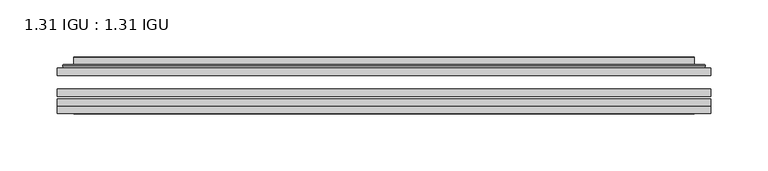
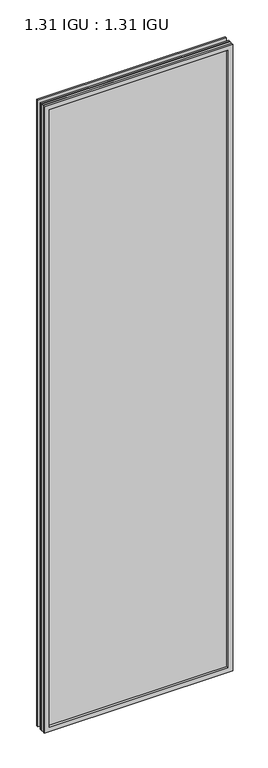
"""IFC4 building model written with IfcOpenShell, lengths in millimetres: plate geometry, 1.31 IGU : 1.31 IGU."""

import ifcopenshell
import ifcopenshell.guid

model = None  # the IFC model being written
_history = None  # IfcOwnerHistory: only IFC2X3 demands one
_inside = {}  # id of a spatial element -> (the spatial element, [elements in it])
_under = {}  # id of a project, library or spatial element -> (it, [spatial elements below it])
_declared = {}  # id of a project -> (the project, [libraries it declares])
_typed = {}  # id of a type object -> (the type object, [elements of that type])
_made_of = {}  # id of a material, layer set ... -> (it, [elements and type objects made of it])


def new_model(schema):
    """Start an empty IFC model of exactly this schema.

    Asked for "IFC4X3", IfcOpenShell would pick the latest addendum, in which some entities
    have other attributes; the version numbers below select the first issue.
    IFC2X3 requires an IfcOwnerHistory on every rooted entity: one is made here for all.
    """
    global model, _history
    if schema == "IFC4X3":
        model = ifcopenshell.file(schema_version=(4, 3, 0, 0))
    else:
        model = ifcopenshell.file(schema=schema)
    _inside.clear()
    _under.clear()
    _declared.clear()
    _typed.clear()
    _made_of.clear()
    _history = None
    if model.schema == "IFC2X3":
        org = make("IfcOrganization", Name="unknown")
        user = make(
            "IfcPersonAndOrganization",
            ThePerson=make("IfcPerson", FamilyName="unknown"),
            TheOrganization=org,
        )
        app = make(
            "IfcApplication",
            ApplicationDeveloper=org,
            Version="unknown",
            ApplicationFullName="unknown",
            ApplicationIdentifier="unknown",
        )
        _history = make(
            "IfcOwnerHistory",
            OwningUser=user,
            OwningApplication=app,
            ChangeAction="ADDED",
            CreationDate=0,
        )
    return model


def make(cls, **values):
    """One entity of the class cls with the attributes given. An attribute that is None is left unset."""
    return model.create_entity(
        cls, **{name: value for name, value in values.items() if value is not None}
    )


def rooted(cls, **values):
    """An entity with a GlobalId (a new one), such as an element, a storey or a relation."""
    return make(cls, GlobalId=ifcopenshell.guid.new(), OwnerHistory=_history, **values)


def si_unit(unit_type, name, prefix=None):
    """IfcSIUnit, for example si_unit("LENGTHUNIT", "METRE", prefix="MILLI")."""
    return make("IfcSIUnit", UnitType=unit_type, Prefix=prefix, Name=name)


def assignment(units):
    """IfcUnitAssignment: the units of a project."""
    return None if units is None else make("IfcUnitAssignment", Units=units)


def point(xyz):
    """IfcCartesianPoint."""
    return None if xyz is None else make("IfcCartesianPoint", Coordinates=xyz)


def direction(xyz):
    """IfcDirection."""
    return None if xyz is None else make("IfcDirection", DirectionRatios=xyz)


def frame(location, z_axis=None, x_axis=None):
    """IfcAxis2Placement3D, a coordinate frame: its origin and axes. An axis left out is left unset."""
    return make(
        "IfcAxis2Placement3D",
        Location=point(location),
        Axis=direction(z_axis),
        RefDirection=direction(x_axis),
    )


def origin():
    """The frame at (0, 0, 0) with its axes left unset."""
    return frame((0.0, 0.0, 0.0))


def place(relative_to, where):
    """IfcLocalPlacement: puts the frame where relative to a parent placement (None: the world)."""
    return make(
        "IfcLocalPlacement", PlacementRelTo=relative_to, RelativePlacement=where
    )


def context(
    kind, dimensions, precision=None, world=None, true_north=None, identifier=None
):
    """IfcGeometricRepresentationContext, for example the 3D "Model" context."""
    return make(
        "IfcGeometricRepresentationContext",
        ContextIdentifier=identifier,
        ContextType=kind,
        CoordinateSpaceDimension=dimensions,
        Precision=precision,
        WorldCoordinateSystem=world,
        TrueNorth=true_north,
    )


def project(units=None, contexts=None):
    """IfcProject with its units and contexts."""
    return rooted(
        "IfcProject",
        Name="project",
        RepresentationContexts=contexts,
        UnitsInContext=assignment(units),
    )


def spatial(cls, under=None, at=None, **own):
    """A site, building, storey or space (cls), placed at a placement, below another one or the project."""
    s = rooted(cls, ObjectPlacement=at, **own)
    if under is not None:
        _under.setdefault(under.id(), (under, []))[1].append(s)
    return s


def polyline(points):
    """IfcPolyline through the points."""
    return make("IfcPolyline", Points=[point(p) for p in points])


def ellipse_curve(where, semi_axis1, semi_axis2):
    """IfcEllipse in the frame where."""
    return make(
        "IfcEllipse", Position=where, SemiAxis1=semi_axis1, SemiAxis2=semi_axis2
    )


def outline(outer, holes=None, kind="AREA"):
    """IfcArbitraryClosedProfileDef: a profile drawn as a closed curve; with holes, ...WithVoids."""
    if holes is None:
        return make("IfcArbitraryClosedProfileDef", ProfileType=kind, OuterCurve=outer)
    return make(
        "IfcArbitraryProfileDefWithVoids",
        ProfileType=kind,
        OuterCurve=outer,
        InnerCurves=holes,
    )


def extrude(swept, where, along, depth):
    """IfcExtrudedAreaSolid: the profile swept, set in the frame where, extruded along a direction by depth."""
    return make(
        "IfcExtrudedAreaSolid",
        SweptArea=swept,
        Position=where,
        ExtrudedDirection=direction(along),
        Depth=depth,
    )


def faces_of(points, faces, orient=None, outer=None):
    """IfcFace entities. A face is a list of loops; a loop is a list of indices into points, from 0.

    orient and outer hold one flag for each loop. By default every Orientation is true, the
    first loop of a face is its IfcFaceOuterBound and the others are IfcFaceBound.
    """
    made = []
    for i, loops in enumerate(faces):
        bounds = []
        for j, loop in enumerate(loops):
            is_outer = j == 0 if outer is None else outer[i][j]
            bounds.append(
                make(
                    "IfcFaceOuterBound" if is_outer else "IfcFaceBound",
                    Bound=make("IfcPolyLoop", Polygon=[points[k] for k in loop]),
                    Orientation=True if orient is None else orient[i][j],
                )
            )
        made.append(make("IfcFace", Bounds=bounds))
    return made


def faceted_brep(points, faces, orient=None, outer=None, voids=None):
    """IfcFacetedBrep: a solid bounded by flat faces; with voids (closed shells), ...WithVoids."""
    shared = [point(p) for p in points]
    hull = make("IfcClosedShell", CfsFaces=faces_of(shared, faces, orient, outer))
    if voids is None:
        return make("IfcFacetedBrep", Outer=hull)
    return make(
        "IfcFacetedBrepWithVoids",
        Outer=hull,
        Voids=[
            make(cls, CfsFaces=faces_of(shared, fs, o, b)) for cls, fs, o, b in voids
        ],
    )


def shape(context_of_items, identifier, shape_type, items):
    """IfcShapeRepresentation: the items that make up one representation, for example the "Body"."""
    return make(
        "IfcShapeRepresentation",
        ContextOfItems=context_of_items,
        RepresentationIdentifier=identifier,
        RepresentationType=shape_type,
        Items=items,
    )


def source(mapping_origin, context_of_items, identifier, shape_type, items):
    """IfcRepresentationMap: a shape defined once, which mapped items show again and again."""
    return make(
        "IfcRepresentationMap",
        MappingOrigin=mapping_origin,
        MappedRepresentation=shape(context_of_items, identifier, shape_type, items),
    )


def transform(
    local_origin,
    x_axis=None,
    y_axis=None,
    z_axis=None,
    scale=None,
    scale2=None,
    scale3=None,
    uniform=True,
):
    """IfcCartesianTransformationOperator3D, or its non-uniform kind. x_axis, y_axis, z_axis: its Axis1, 2, 3."""
    if uniform:
        return make(
            "IfcCartesianTransformationOperator3D",
            Axis1=direction(x_axis),
            Axis2=direction(y_axis),
            LocalOrigin=point(local_origin),
            Scale=scale,
            Axis3=direction(z_axis),
        )
    return make(
        "IfcCartesianTransformationOperator3DnonUniform",
        Axis1=direction(x_axis),
        Axis2=direction(y_axis),
        LocalOrigin=point(local_origin),
        Scale=scale,
        Axis3=direction(z_axis),
        Scale2=scale2,
        Scale3=scale3,
    )


def mapped(mapping_source, mapping_target):
    """IfcMappedItem: shows the shape of a source again, moved by a transform."""
    return make(
        "IfcMappedItem", MappingSource=mapping_source, MappingTarget=mapping_target
    )


def made_of(thing, what):
    """Note that an element or type object is made of a material, layer set ...; save() writes the relation."""
    if what is not None:
        _made_of.setdefault(what.id(), (what, []))[1].append(thing)
    return thing


def element(
    cls,
    number,
    at=None,
    inside=None,
    cuts=None,
    type_object=None,
    material=None,
    context=None,
    identifier="Body",
    shape_type=None,
    held_by="IfcProductDefinitionShape",
    body=None,
    shapes=None,
    **own,
):
    """One element of the class cls, such as IfcWall. Its Tag is "e" and its number.

    at: its placement. inside: the storey or other place that contains it. cuts: it is an
    opening in that element (IfcRelVoidsElement). A single representation is given by context,
    identifier, shape_type and body (its items); several are given by shapes. held_by: the class
    of the entity that holds the representations. save() writes the other relations.
    """
    e = rooted(cls, Tag="e%d" % number, ObjectPlacement=at, **own)
    if body is not None:
        shapes = [shape(context, identifier, shape_type, body)]
    if shapes is not None:
        e.Representation = make(held_by, Representations=shapes)
    if inside is not None:
        _inside.setdefault(inside.id(), (inside, []))[1].append(e)
    if cuts is not None:
        rooted(
            "IfcRelVoidsElement", RelatingBuildingElement=cuts, RelatedOpeningElement=e
        )
    if type_object is not None:
        _typed.setdefault(type_object.id(), (type_object, []))[1].append(e)
    return made_of(e, material)


def aggregate(whole, parts):
    """IfcRelAggregates: a whole, such as a stair, and the parts it consists of."""
    return rooted("IfcRelAggregates", RelatingObject=whole, RelatedObjects=parts)


def save(model, path):
    """Write the relations noted so far, then the file.

    IfcRelAggregates (storeys below a building ...), IfcRelContainedInSpatialStructure (elements
    in a storey), IfcRelDefinesByType, IfcRelAssociatesMaterial and IfcRelDeclares: one each for
    every whole, place, type object, material and project.
    """
    for whole, parts in _under.values():
        aggregate(whole, parts)
    for where, things in _inside.values():
        rooted(
            "IfcRelContainedInSpatialStructure",
            RelatedElements=things,
            RelatingStructure=where,
        )
    for kind, things in _typed.values():
        rooted("IfcRelDefinesByType", RelatedObjects=things, RelatingType=kind)
    for what, things in _made_of.values():
        rooted("IfcRelAssociatesMaterial", RelatedObjects=things, RelatingMaterial=what)
    for by, libraries in _declared.values():
        rooted("IfcRelDeclares", RelatingContext=by, RelatedDefinitions=libraries)
    model.write(path)


def plane_surface(at):
    """IfcPlane: the flat surface through the origin of the frame at, square to its z axis."""
    return make("IfcPlane", Position=at)


def cylinder_surface(at, radius):
    """IfcCylindricalSurface: all points at the distance radius from the z axis of the frame at."""
    return make("IfcCylindricalSurface", Position=at, Radius=radius)


def advanced_brep(points, edges, surfaces, faces):
    """IfcAdvancedBrep: a solid bounded by faces that lie on surfaces and meet in shared edges.

    An edge is (start, end): straight between two places in points (the first is 0);
    or (start, end, curve); or (start, end, curve, False) where it runs against its curve.
    A face is (place in surfaces, loops), or (place, loops, False) where it looks against
    its surface's normal. A loop lists edges by number (the first is 1), with a minus sign
    where the edge is run from its end to its start. The first loop is the outer one.
    """
    corners = [point(p) for p in points]
    vertices = [make("IfcVertexPoint", VertexGeometry=c) for c in corners]
    made = []
    for start, end, *more in edges:
        made.append(
            make(
                "IfcEdgeCurve",
                EdgeStart=vertices[start],
                EdgeEnd=vertices[end],
                EdgeGeometry=more[0] if more else make("IfcPolyline", Points=[corners[start], corners[end]]),
                SameSense=more[1] if len(more) > 1 else True,
            )
        )
    hull = []
    for where, loops, *sense in faces:
        bounds = []
        for j, loop in enumerate(loops):
            ring = [make("IfcOrientedEdge", EdgeElement=made[abs(k) - 1], Orientation=k > 0) for k in loop]
            bounds.append(
                make(
                    "IfcFaceOuterBound" if j == 0 else "IfcFaceBound",
                    Bound=make("IfcEdgeLoop", EdgeList=ring),
                    Orientation=True,
                )
            )
        hull.append(make("IfcAdvancedFace", Bounds=bounds, FaceSurface=surfaces[where], SameSense=sense[0] if sense else True))
    return make("IfcAdvancedBrep", Outer=make("IfcClosedShell", CfsFaces=hull))


def plate_1_31_igu_1_31_igu_060bd1c2(model_context):
    return source(origin(), model_context, "Body", "SolidModel", [
        extrude(outline(polyline([(285.764175, -63.2975937), (285.764175, -69.6475938), (-285.75, -69.6475938), (-285.75, -63.2975937), (285.764175, -63.2975937)])), frame((0.0, 0.0, -14.2875), z_axis=(0.0, 0.0, 1.0), x_axis=(1.0, 0.0, 0.0)), (0.0, 0.0, 1.0), 2009.796575),
        extrude(outline(polyline([(-285.75, -78.2835938), (-285.75, -71.9330887), (285.764175, -71.9330887), (285.764175, -78.2835938), (-285.75, -78.2835938)])), frame((0.0, 0.0, -14.2875), z_axis=(0.0, 0.0, 1.0), x_axis=(1.0, 0.0, 0.0)), (0.0, 0.0, 1.0), 2009.796575),
        extrude(outline(polyline([(285.764175, -44.9587937), (285.764175, -51.3087938), (-285.75, -51.3087938), (-285.75, -44.9587937), (285.764175, -44.9587937)])), frame((0.0, 0.0, -14.2875), z_axis=(0.0, 0.0, 1.0), x_axis=(1.0, 0.0, 0.0)), (0.0, 0.0, 1.0), 2009.796575),
        faceted_brep([(-285.7627, -84.6335937, 1995.5179772), (-285.7627, -78.2835937, 1995.5179772), (-285.7627, -78.2835937, -14.3002), (-285.7627, -84.6335937, -14.3002), (285.7627, -78.2835937, -14.3002), (285.7627, -84.6335937, -14.3002), (285.7627, -78.2835937, 1995.5179772), (285.7627, -84.6335937, 1995.5179772), (-270.5647559, -78.2835937, 0.8977441), (270.5647559, -78.2835937, 0.8977441), (270.5647559, -78.2835937, 1980.320033), (-270.5647559, -78.2835937, 1980.320033), (-271.4571902, -84.6335937, 1981.2124673), (271.4571902, -84.6335937, 1981.2124673), (271.4571902, -84.6335937, 0.0053098), (-271.4571902, -84.6335937, 0.0053098)], [[[0, 1, 2, 3]], [[3, 2, 4, 5]], [[5, 4, 6, 7]], [[1, 6, 4, 2], [8, 9, 10, 11]], [[7, 6, 1, 0]], [[3, 5, 7, 0], [12, 13, 14, 15]], [[11, 12, 15, 8]], [[8, 15, 14, 9]], [[9, 14, 13, 10]], [[10, 13, 12, 11]]]),
        advanced_brep(
        [(-278.508719, -44.9587937, 1988.2639962), (-280.8629244, -42.9691271, 1990.6182015), (-280.8629244, -42.9691271, -9.4004244), (-278.508719, -44.9587937, -7.046219), (-269.4343939, -41.1187568, 1979.1896711), (-264.4995621, -44.9587937, 1974.2548392), (-264.4995621, -44.9587937, 6.9629379), (-269.4343939, -41.1187568, 2.0281061), (-270.4664217, -35.7215256, 1980.2216988), (-270.4664217, -35.7215256, 0.9960783), (-271.4570784, -35.3225507, 1981.2123556), (-271.4570784, -35.3225507, 0.0054216), (-271.4570784, -41.7837937, 1981.2123556), (-271.4570784, -41.7837937, 0.0054216), (-279.8611349, -41.7837937, 1989.616412), (-279.8611349, -41.7837937, -8.3986349), (280.8629244, -42.9691271, -9.4004244), (278.508719, -44.9587937, -7.046219), (264.4995621, -44.9587937, 6.9629379), (269.4343939, -41.1187568, 2.0281061), (270.4664217, -35.7215256, 0.9960783), (271.4570784, -35.3225507, 0.0054216), (271.4570784, -41.7837937, 0.0054216), (279.8611349, -41.7837937, -8.3986349), (280.8629244, -42.9691271, 1990.6182015), (278.508719, -44.9587937, 1988.2639962), (264.4995621, -44.9587937, 1974.2548392), (269.4343939, -41.1187568, 1979.1896711), (270.4664217, -35.7215256, 1980.2216988), (271.4570784, -35.3225507, 1981.2123556), (271.4570784, -41.7837937, 1981.2123556), (279.8611349, -41.7837937, 1989.616412)],
        [
            (0, 1, ellipse_curve(frame((-278.508719, -42.5711937, 1988.2639962), z_axis=(-0.7071067811865475, 0.0, -0.7071067811865475), x_axis=(-0.7071067811865474, 0.0, 0.7071067811865476)), 3.3765763, 2.3876)),
            (1, 2),
            (2, 3, ellipse_curve(frame((-278.508719, -42.5711937, -7.046219), z_axis=(-0.7071067811865475, 0.0, 0.7071067811865475), x_axis=(0.7071067811865474, 0.0, 0.7071067811865476)), 3.3765763, 2.3876)),
            (3, 0),
            (4, 5),
            (5, 6),
            (6, 7),
            (7, 4),
            (8, 4),
            (7, 9),
            (9, 8),
            (10, 8, ellipse_curve(frame((-271.0901219, -35.840786, 1980.845399), z_axis=(-0.7071067811865475, 0.0, -0.7071067811865475), x_axis=(-0.7071067811865474, 0.0, 0.7071067811865476)), 0.8980256, 0.635)),
            (9, 11, ellipse_curve(frame((-271.0901219, -35.840786, 0.3723781), z_axis=(-0.7071067811865475, 0.0, 0.7071067811865475), x_axis=(0.7071067811865474, 0.0, 0.7071067811865476)), 0.8980256, 0.635)),
            (11, 10),
            (12, 10),
            (11, 13),
            (13, 12),
            (1, 14, ellipse_curve(frame((-279.8611349, -42.7997937, 1989.616412), z_axis=(-0.7071067811865475, 0.0, -0.7071067811865475), x_axis=(-0.7071067811865474, 0.0, 0.7071067811865476)), 1.436841, 1.016)),
            (14, 15),
            (15, 2, ellipse_curve(frame((-279.8611349, -42.7997937, -8.3986349), z_axis=(-0.7071067811865475, 0.0, 0.7071067811865475), x_axis=(0.7071067811865474, 0.0, 0.7071067811865476)), 1.436841, 1.016)),
            (2, 16),
            (16, 17, ellipse_curve(frame((278.508719, -42.5711937, -7.046219), z_axis=(-0.7071067811865475, 0.0, -0.7071067811865475), x_axis=(-0.7071067811865476, 0.0, 0.7071067811865474)), 3.3765763, 2.3876)),
            (17, 3),
            (6, 18),
            (18, 19),
            (19, 7),
            (19, 20),
            (20, 9),
            (20, 21, ellipse_curve(frame((271.0901219, -35.840786, 0.3723781), z_axis=(-0.7071067811865475, 0.0, -0.7071067811865475), x_axis=(-0.7071067811865476, 0.0, 0.7071067811865474)), 0.8980256, 0.635)),
            (21, 11),
            (21, 22),
            (22, 13),
            (15, 23),
            (23, 16, ellipse_curve(frame((279.8611349, -42.7997937, -8.3986349), z_axis=(-0.7071067811865475, 0.0, -0.7071067811865475), x_axis=(-0.7071067811865476, 0.0, 0.7071067811865474)), 1.436841, 1.016)),
            (16, 24),
            (24, 25, ellipse_curve(frame((278.508719, -42.5711937, 1988.2639962), z_axis=(0.7071067811865475, 0.0, -0.7071067811865475), x_axis=(-0.7071067811865474, 0.0, -0.7071067811865476)), 3.3765763, 2.3876)),
            (25, 17),
            (18, 26),
            (26, 27),
            (27, 19),
            (27, 28),
            (28, 20),
            (28, 29, ellipse_curve(frame((271.0901219, -35.840786, 1980.845399), z_axis=(0.7071067811865475, 0.0, -0.7071067811865475), x_axis=(-0.7071067811865474, 0.0, -0.7071067811865476)), 0.8980256, 0.635)),
            (29, 21),
            (29, 30),
            (30, 22),
            (23, 31),
            (31, 24, ellipse_curve(frame((279.8611349, -42.7997937, 1989.616412), z_axis=(0.7071067811865475, 0.0, -0.7071067811865475), x_axis=(-0.7071067811865474, 0.0, -0.7071067811865476)), 1.436841, 1.016)),
            (24, 1),
            (0, 25),
            (5, 26),
            (4, 27),
            (8, 28),
            (10, 29),
            (12, 30),
            (14, 31),
        ],
        [
            cylinder_surface(frame((-278.508719, -42.5711937, 2012.9677772), z_axis=(0.0, 0.0, 1.0), x_axis=(-1.0, 0.0, 0.0)), 2.3876),
            plane_surface(frame((-264.4995621, -44.9587937, 1974.2548392), z_axis=(0.6141233906514794, 0.7892100234124821, 0.0), x_axis=(0.0, 0.0, -1.0))),
            plane_surface(frame((-269.4343939, -41.1187568, 1979.1896711), z_axis=(0.9822050625507729, 0.18781164793386074, 0.0), x_axis=(0.0, 0.0, -1.0))),
            cylinder_surface(frame((-271.0901219, -35.840786, 2012.9677772), z_axis=(0.0, 0.0, 1.0), x_axis=(-1.0, 0.0, 0.0)), 0.635),
            plane_surface(frame((-271.4570784, -35.3225507, 1981.2123556), z_axis=(-1.0, 0.0, 0.0), x_axis=(0.0, 0.0, -1.0))),
            cylinder_surface(frame((-279.8611349, -42.7997937, 2012.9677772), z_axis=(0.0, 0.0, 1.0), x_axis=(-1.0, 0.0, 0.0)), 1.016),
            cylinder_surface(frame((-303.2125, -42.5711937, -7.046219), z_axis=(-1.0, 0.0, 0.0), x_axis=(0.0, 0.0, -1.0)), 2.3876),
            plane_surface(frame((-264.4995621, -44.9587937, 6.9629379), z_axis=(0.0, 0.7892100234124841, 0.6141233906514768), x_axis=(1.0, 0.0, 0.0))),
            plane_surface(frame((-269.4343939, -41.1187568, 2.0281061), z_axis=(0.0, 0.18781164793386393, 0.9822050625507723), x_axis=(1.0, 0.0, 0.0))),
            cylinder_surface(frame((-303.2125, -35.840786, 0.3723781), z_axis=(-1.0, 0.0, 0.0), x_axis=(0.0, 0.0, -1.0)), 0.635),
            plane_surface(frame((-271.4570784, -35.3225507, 0.0054216), z_axis=(0.0, 0.0, -1.0), x_axis=(1.0, 0.0, 0.0))),
            cylinder_surface(frame((-303.2125, -42.7997937, -8.3986349), z_axis=(-1.0, 0.0, 0.0), x_axis=(0.0, 0.0, -1.0)), 1.016),
            cylinder_surface(frame((278.508719, -42.5711937, -31.75), z_axis=(0.0, 0.0, -1.0), x_axis=(1.0, 0.0, 0.0)), 2.3876),
            plane_surface(frame((264.4995621, -44.9587937, 6.9629379), z_axis=(-0.6141233906514743, 0.7892100234124861, 0.0), x_axis=(0.0, 0.0, 1.0))),
            plane_surface(frame((269.4343939, -41.1187568, 2.0281061), z_axis=(-0.9822050625507718, 0.18781164793386712, 0.0), x_axis=(0.0, 0.0, 1.0))),
            cylinder_surface(frame((271.0901219, -35.840786, -31.75), z_axis=(0.0, 0.0, -1.0), x_axis=(1.0, 0.0, 0.0)), 0.635),
            plane_surface(frame((271.4570784, -35.3225507, 0.0054216), z_axis=(1.0, 0.0, 0.0), x_axis=(0.0, 0.0, 1.0))),
            cylinder_surface(frame((279.8611349, -42.7997937, -31.75), z_axis=(0.0, 0.0, -1.0), x_axis=(1.0, 0.0, 0.0)), 1.016),
            cylinder_surface(frame((303.2125, -42.5711937, 1988.2639962), z_axis=(1.0, 0.0, 0.0), x_axis=(0.0, 0.0, 1.0)), 2.3876),
            plane_surface(frame((278.508719, -44.9587937, 1988.2639962), z_axis=(0.0, -1.0, 0.0), x_axis=(-1.0, 0.0, 0.0))),
            plane_surface(frame((264.4995621, -44.9587937, 1974.2548392), z_axis=(0.0, 0.7892100234124841, -0.6141233906514768), x_axis=(-1.0, 0.0, 0.0))),
            plane_surface(frame((269.4343939, -41.1187568, 1979.1896711), z_axis=(0.0, 0.18781164793386393, -0.9822050625507723), x_axis=(-1.0, 0.0, 0.0))),
            cylinder_surface(frame((303.2125, -35.840786, 1980.845399), z_axis=(1.0, 0.0, 0.0), x_axis=(0.0, 0.0, 1.0)), 0.635),
            plane_surface(frame((271.4570784, -35.3225507, 1981.2123556), z_axis=(0.0, 0.0, 1.0), x_axis=(-1.0, 0.0, 0.0))),
            plane_surface(frame((271.4570784, -41.7837937, 1981.2123556), z_axis=(0.0, 1.0, 0.0), x_axis=(-1.0, 0.0, 0.0))),
            cylinder_surface(frame((303.2125, -42.7997937, 1989.616412), z_axis=(1.0, 0.0, 0.0), x_axis=(0.0, 0.0, 1.0)), 1.016),
        ],
        [
            (0, [[1, 2, 3, 4]]),
            (1, [[5, 6, 7, 8]]),
            (2, [[9, -8, 10, 11]]),
            (3, [[12, -11, 13, 14]]),
            (4, [[15, -14, 16, 17]]),
            (5, [[18, 19, 20, -2]]),
            (6, [[-3, 21, 22, 23]]),
            (7, [[-7, 24, 25, 26]]),
            (8, [[-10, -26, 27, 28]]),
            (9, [[-13, -28, 29, 30]]),
            (10, [[-16, -30, 31, 32]]),
            (11, [[-20, 33, 34, -21]]),
            (12, [[-22, 35, 36, 37]]),
            (13, [[-25, 38, 39, 40]]),
            (14, [[-27, -40, 41, 42]]),
            (15, [[-29, -42, 43, 44]]),
            (16, [[-31, -44, 45, 46]]),
            (17, [[-34, 47, 48, -35]]),
            (18, [[-36, 49, -1, 50]]),
            (19, [[-23, -37, -50, -4], [51, -38, -24, -6]]),
            (20, [[-39, -51, -5, 52]]),
            (21, [[-41, -52, -9, 53]]),
            (22, [[-43, -53, -12, 54]]),
            (23, [[-45, -54, -15, 55]]),
            (24, [[56, -47, -33, -19], [-32, -46, -55, -17]]),
            (25, [[-48, -56, -18, -49]]),
        ],
    ),
    ])


if __name__ == "__main__":
    model = new_model("IFC4")
    model_context = context("Model", 3, world=origin())
    ifc_project = project(units=[si_unit("LENGTHUNIT", "METRE", prefix="MILLI")], contexts=[model_context])
    site = spatial("IfcSite", under=ifc_project)
    building = spatial("IfcBuilding", under=site)
    placement = place(None, origin())
    plate_1_31_igu_1_31_igu_shape = plate_1_31_igu_1_31_igu_060bd1c2(model_context)
    element("IfcPlate", 1, ObjectType="1.31 IGU : 1.31 IGU", at=placement, inside=building, context=model_context, shape_type="MappedRepresentation", body=[
        mapped(plate_1_31_igu_1_31_igu_shape, transform((0.0, 0.0, 0.0), x_axis=(1.0, 0.0, 0.0), y_axis=(0.0, 1.0, 0.0), z_axis=(0.0, 0.0, 1.0))),
    ])
    save(model, "model.ifc")
